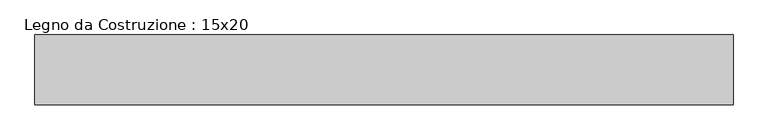
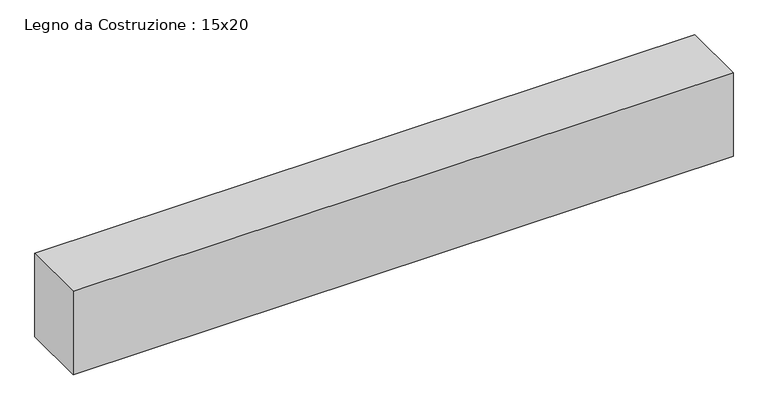
"""IFC4 building model written with IfcOpenShell, lengths in millimetres: beam geometry, Legno da Costruzione : 15x20."""

from ifc_helpers import new_model, si_unit, frame, origin, place, context, project, spatial, polyline, outline, extrude, source, transform, mapped, element, save


def legno_da_costruzione_15x20_c21afc8d(model_context):
    return source(origin(), model_context, "Body", "SweptSolid", [
        extrude(outline(polyline([(858.0, 75.0), (858.0, -75.0), (-639.0, -75.0), (-639.0, 75.0), (858.0, 75.0)])), frame((0.0, 0.0, -100.0), z_axis=(0.0, 0.0, 1.0), x_axis=(1.0, 0.0, 0.0)), (0.0, 0.0, 1.0), 200.0),
    ])


if __name__ == "__main__":
    model = new_model("IFC4")
    model_context = context("Model", 3, world=origin())
    ifc_project = project(units=[si_unit("LENGTHUNIT", "METRE", prefix="MILLI")], contexts=[model_context])
    site = spatial("IfcSite", under=ifc_project)
    building = spatial("IfcBuilding", under=site)
    placement = place(None, origin())
    legno_da_costruzione_15x20_shape = legno_da_costruzione_15x20_c21afc8d(model_context)
    element("IfcBeam", 1, ObjectType="Legno da Costruzione : 15x20", at=placement, inside=building, context=model_context, shape_type="MappedRepresentation", body=[
        mapped(legno_da_costruzione_15x20_shape, transform((0.0, 0.0, 0.0), x_axis=(1.0, 0.0, 0.0), y_axis=(0.0, 1.0, 0.0), z_axis=(0.0, 0.0, 1.0))),
    ])
    save(model, "model.ifc")
